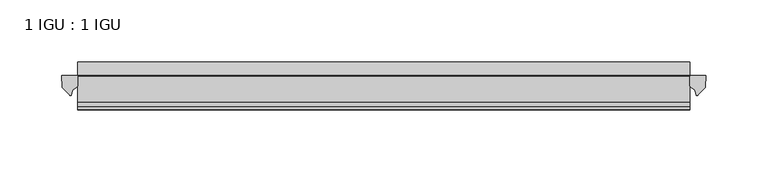
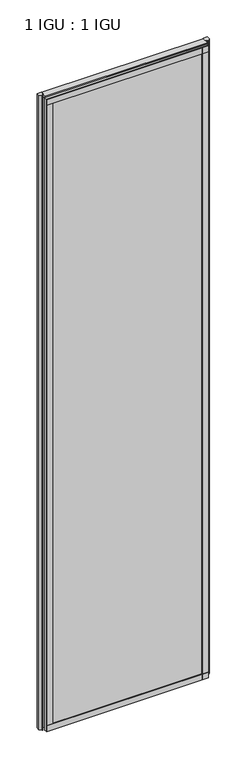
"""IFC4 building model written with IfcOpenShell, lengths in millimetres: plate geometry, 1 IGU : 1 IGU."""

import ifcopenshell
import ifcopenshell.guid

model = None  # the IFC model being written
_history = None  # IfcOwnerHistory: only IFC2X3 demands one
_inside = {}  # id of a spatial element -> (the spatial element, [elements in it])
_under = {}  # id of a project, library or spatial element -> (it, [spatial elements below it])
_declared = {}  # id of a project -> (the project, [libraries it declares])
_typed = {}  # id of a type object -> (the type object, [elements of that type])
_made_of = {}  # id of a material, layer set ... -> (it, [elements and type objects made of it])


def new_model(schema):
    """Start an empty IFC model of exactly this schema.

    Asked for "IFC4X3", IfcOpenShell would pick the latest addendum, in which some entities
    have other attributes; the version numbers below select the first issue.
    IFC2X3 requires an IfcOwnerHistory on every rooted entity: one is made here for all.
    """
    global model, _history
    if schema == "IFC4X3":
        model = ifcopenshell.file(schema_version=(4, 3, 0, 0))
    else:
        model = ifcopenshell.file(schema=schema)
    _inside.clear()
    _under.clear()
    _declared.clear()
    _typed.clear()
    _made_of.clear()
    _history = None
    if model.schema == "IFC2X3":
        org = make("IfcOrganization", Name="unknown")
        user = make(
            "IfcPersonAndOrganization",
            ThePerson=make("IfcPerson", FamilyName="unknown"),
            TheOrganization=org,
        )
        app = make(
            "IfcApplication",
            ApplicationDeveloper=org,
            Version="unknown",
            ApplicationFullName="unknown",
            ApplicationIdentifier="unknown",
        )
        _history = make(
            "IfcOwnerHistory",
            OwningUser=user,
            OwningApplication=app,
            ChangeAction="ADDED",
            CreationDate=0,
        )
    return model


def make(cls, **values):
    """One entity of the class cls with the attributes given. An attribute that is None is left unset."""
    return model.create_entity(
        cls, **{name: value for name, value in values.items() if value is not None}
    )


def rooted(cls, **values):
    """An entity with a GlobalId (a new one), such as an element, a storey or a relation."""
    return make(cls, GlobalId=ifcopenshell.guid.new(), OwnerHistory=_history, **values)


def si_unit(unit_type, name, prefix=None):
    """IfcSIUnit, for example si_unit("LENGTHUNIT", "METRE", prefix="MILLI")."""
    return make("IfcSIUnit", UnitType=unit_type, Prefix=prefix, Name=name)


def assignment(units):
    """IfcUnitAssignment: the units of a project."""
    return None if units is None else make("IfcUnitAssignment", Units=units)


def point(xyz):
    """IfcCartesianPoint."""
    return None if xyz is None else make("IfcCartesianPoint", Coordinates=xyz)


def direction(xyz):
    """IfcDirection."""
    return None if xyz is None else make("IfcDirection", DirectionRatios=xyz)


def frame(location, z_axis=None, x_axis=None):
    """IfcAxis2Placement3D, a coordinate frame: its origin and axes. An axis left out is left unset."""
    return make(
        "IfcAxis2Placement3D",
        Location=point(location),
        Axis=direction(z_axis),
        RefDirection=direction(x_axis),
    )


def frame_2d(location, x_axis=None):
    """IfcAxis2Placement2D, a coordinate frame in the plane: its origin and x axis."""
    return make(
        "IfcAxis2Placement2D", Location=point(location), RefDirection=direction(x_axis)
    )


def origin():
    """The frame at (0, 0, 0) with its axes left unset."""
    return frame((0.0, 0.0, 0.0))


def place(relative_to, where):
    """IfcLocalPlacement: puts the frame where relative to a parent placement (None: the world)."""
    return make(
        "IfcLocalPlacement", PlacementRelTo=relative_to, RelativePlacement=where
    )


def context(
    kind, dimensions, precision=None, world=None, true_north=None, identifier=None
):
    """IfcGeometricRepresentationContext, for example the 3D "Model" context."""
    return make(
        "IfcGeometricRepresentationContext",
        ContextIdentifier=identifier,
        ContextType=kind,
        CoordinateSpaceDimension=dimensions,
        Precision=precision,
        WorldCoordinateSystem=world,
        TrueNorth=true_north,
    )


def project(units=None, contexts=None):
    """IfcProject with its units and contexts."""
    return rooted(
        "IfcProject",
        Name="project",
        RepresentationContexts=contexts,
        UnitsInContext=assignment(units),
    )


def spatial(cls, under=None, at=None, **own):
    """A site, building, storey or space (cls), placed at a placement, below another one or the project."""
    s = rooted(cls, ObjectPlacement=at, **own)
    if under is not None:
        _under.setdefault(under.id(), (under, []))[1].append(s)
    return s


def polyline(points):
    """IfcPolyline through the points."""
    return make("IfcPolyline", Points=[point(p) for p in points])


def circle_curve(where, radius):
    """IfcCircle in the frame where."""
    return make("IfcCircle", Position=where, Radius=radius)


def ellipse_curve(where, semi_axis1, semi_axis2):
    """IfcEllipse in the frame where."""
    return make(
        "IfcEllipse", Position=where, SemiAxis1=semi_axis1, SemiAxis2=semi_axis2
    )


def trimmed(basis, trim1, trim2, sense, master):
    """IfcTrimmedCurve: the piece of a basis curve between two trims."""
    return make(
        "IfcTrimmedCurve",
        BasisCurve=basis,
        Trim1=trim1,
        Trim2=trim2,
        SenseAgreement=sense,
        MasterRepresentation=master,
    )


def segment(curve, same_sense, transition):
    """IfcCompositeCurveSegment."""
    return make(
        "IfcCompositeCurveSegment",
        Transition=transition,
        SameSense=same_sense,
        ParentCurve=curve,
    )


def composite_curve(segments, self_intersect=None):
    """IfcCompositeCurve: segments joined end to end."""
    return make("IfcCompositeCurve", Segments=segments, SelfIntersect=self_intersect)


def outline(outer, holes=None, kind="AREA"):
    """IfcArbitraryClosedProfileDef: a profile drawn as a closed curve; with holes, ...WithVoids."""
    if holes is None:
        return make("IfcArbitraryClosedProfileDef", ProfileType=kind, OuterCurve=outer)
    return make(
        "IfcArbitraryProfileDefWithVoids",
        ProfileType=kind,
        OuterCurve=outer,
        InnerCurves=holes,
    )


def extrude(swept, where, along, depth):
    """IfcExtrudedAreaSolid: the profile swept, set in the frame where, extruded along a direction by depth."""
    return make(
        "IfcExtrudedAreaSolid",
        SweptArea=swept,
        Position=where,
        ExtrudedDirection=direction(along),
        Depth=depth,
    )


def shape(context_of_items, identifier, shape_type, items):
    """IfcShapeRepresentation: the items that make up one representation, for example the "Body"."""
    return make(
        "IfcShapeRepresentation",
        ContextOfItems=context_of_items,
        RepresentationIdentifier=identifier,
        RepresentationType=shape_type,
        Items=items,
    )


def source(mapping_origin, context_of_items, identifier, shape_type, items):
    """IfcRepresentationMap: a shape defined once, which mapped items show again and again."""
    return make(
        "IfcRepresentationMap",
        MappingOrigin=mapping_origin,
        MappedRepresentation=shape(context_of_items, identifier, shape_type, items),
    )


def transform(
    local_origin,
    x_axis=None,
    y_axis=None,
    z_axis=None,
    scale=None,
    scale2=None,
    scale3=None,
    uniform=True,
):
    """IfcCartesianTransformationOperator3D, or its non-uniform kind. x_axis, y_axis, z_axis: its Axis1, 2, 3."""
    if uniform:
        return make(
            "IfcCartesianTransformationOperator3D",
            Axis1=direction(x_axis),
            Axis2=direction(y_axis),
            LocalOrigin=point(local_origin),
            Scale=scale,
            Axis3=direction(z_axis),
        )
    return make(
        "IfcCartesianTransformationOperator3DnonUniform",
        Axis1=direction(x_axis),
        Axis2=direction(y_axis),
        LocalOrigin=point(local_origin),
        Scale=scale,
        Axis3=direction(z_axis),
        Scale2=scale2,
        Scale3=scale3,
    )


def mapped(mapping_source, mapping_target):
    """IfcMappedItem: shows the shape of a source again, moved by a transform."""
    return make(
        "IfcMappedItem", MappingSource=mapping_source, MappingTarget=mapping_target
    )


def made_of(thing, what):
    """Note that an element or type object is made of a material, layer set ...; save() writes the relation."""
    if what is not None:
        _made_of.setdefault(what.id(), (what, []))[1].append(thing)
    return thing


def element(
    cls,
    number,
    at=None,
    inside=None,
    cuts=None,
    type_object=None,
    material=None,
    context=None,
    identifier="Body",
    shape_type=None,
    held_by="IfcProductDefinitionShape",
    body=None,
    shapes=None,
    **own,
):
    """One element of the class cls, such as IfcWall. Its Tag is "e" and its number.

    at: its placement. inside: the storey or other place that contains it. cuts: it is an
    opening in that element (IfcRelVoidsElement). A single representation is given by context,
    identifier, shape_type and body (its items); several are given by shapes. held_by: the class
    of the entity that holds the representations. save() writes the other relations.
    """
    e = rooted(cls, Tag="e%d" % number, ObjectPlacement=at, **own)
    if body is not None:
        shapes = [shape(context, identifier, shape_type, body)]
    if shapes is not None:
        e.Representation = make(held_by, Representations=shapes)
    if inside is not None:
        _inside.setdefault(inside.id(), (inside, []))[1].append(e)
    if cuts is not None:
        rooted(
            "IfcRelVoidsElement", RelatingBuildingElement=cuts, RelatedOpeningElement=e
        )
    if type_object is not None:
        _typed.setdefault(type_object.id(), (type_object, []))[1].append(e)
    return made_of(e, material)


def aggregate(whole, parts):
    """IfcRelAggregates: a whole, such as a stair, and the parts it consists of."""
    return rooted("IfcRelAggregates", RelatingObject=whole, RelatedObjects=parts)


def save(model, path):
    """Write the relations noted so far, then the file.

    IfcRelAggregates (storeys below a building ...), IfcRelContainedInSpatialStructure (elements
    in a storey), IfcRelDefinesByType, IfcRelAssociatesMaterial and IfcRelDeclares: one each for
    every whole, place, type object, material and project.
    """
    for whole, parts in _under.values():
        aggregate(whole, parts)
    for where, things in _inside.values():
        rooted(
            "IfcRelContainedInSpatialStructure",
            RelatedElements=things,
            RelatingStructure=where,
        )
    for kind, things in _typed.values():
        rooted("IfcRelDefinesByType", RelatedObjects=things, RelatingType=kind)
    for what, things in _made_of.values():
        rooted("IfcRelAssociatesMaterial", RelatedObjects=things, RelatingMaterial=what)
    for by, libraries in _declared.values():
        rooted("IfcRelDeclares", RelatingContext=by, RelatedDefinitions=libraries)
    model.write(path)


def plane_surface(at):
    """IfcPlane: the flat surface through the origin of the frame at, square to its z axis."""
    return make("IfcPlane", Position=at)


def cylinder_surface(at, radius):
    """IfcCylindricalSurface: all points at the distance radius from the z axis of the frame at."""
    return make("IfcCylindricalSurface", Position=at, Radius=radius)


def revolved_surface(curve, axis_point, axis_direction):
    """IfcSurfaceOfRevolution: the curve turned about the line through axis_point along axis_direction."""
    return make(
        "IfcSurfaceOfRevolution",
        SweptCurve=make("IfcArbitraryOpenProfileDef", ProfileType="CURVE", Curve=curve),
        AxisPosition=make("IfcAxis1Placement", Location=point(axis_point), Axis=direction(axis_direction)),
    )


def extruded_surface(curve, direction_of_extrusion, depth):
    """IfcSurfaceOfLinearExtrusion: the curve pushed along a direction by depth."""
    return make(
        "IfcSurfaceOfLinearExtrusion",
        SweptCurve=make("IfcArbitraryOpenProfileDef", ProfileType="CURVE", Curve=curve),
        ExtrudedDirection=direction(direction_of_extrusion),
        Depth=depth,
    )


def advanced_brep(points, edges, surfaces, faces):
    """IfcAdvancedBrep: a solid bounded by faces that lie on surfaces and meet in shared edges.

    An edge is (start, end): straight between two places in points (the first is 0);
    or (start, end, curve); or (start, end, curve, False) where it runs against its curve.
    A face is (place in surfaces, loops), or (place, loops, False) where it looks against
    its surface's normal. A loop lists edges by number (the first is 1), with a minus sign
    where the edge is run from its end to its start. The first loop is the outer one.
    """
    corners = [point(p) for p in points]
    vertices = [make("IfcVertexPoint", VertexGeometry=c) for c in corners]
    made = []
    for start, end, *more in edges:
        made.append(
            make(
                "IfcEdgeCurve",
                EdgeStart=vertices[start],
                EdgeEnd=vertices[end],
                EdgeGeometry=more[0] if more else make("IfcPolyline", Points=[corners[start], corners[end]]),
                SameSense=more[1] if len(more) > 1 else True,
            )
        )
    hull = []
    for where, loops, *sense in faces:
        bounds = []
        for j, loop in enumerate(loops):
            ring = [make("IfcOrientedEdge", EdgeElement=made[abs(k) - 1], Orientation=k > 0) for k in loop]
            bounds.append(
                make(
                    "IfcFaceOuterBound" if j == 0 else "IfcFaceBound",
                    Bound=make("IfcEdgeLoop", EdgeList=ring),
                    Orientation=True,
                )
            )
        hull.append(make("IfcAdvancedFace", Bounds=bounds, FaceSurface=surfaces[where], SameSense=sense[0] if sense else True))
    return make("IfcAdvancedBrep", Outer=make("IfcClosedShell", CfsFaces=hull))


def plate_1_igu_1_igu_4376e45f(model_context):
    return source(origin(), model_context, "Body", "SolidModel", [
        extrude(outline(polyline([(307.9682531, -11.6085937), (307.9682531, -18.8576359), (-187.0205969, -18.8576359), (-187.0205969, -11.6085937), (307.9682531, -11.6085937)])), frame((0.0, 0.0, -19.05), z_axis=(0.0, 0.0, 1.0), x_axis=(1.0, 0.0, 0.0)), (0.0, 0.0, 1.0), 2038.3500001),
        extrude(outline(polyline([(-187.0205969, -30.7093937), (307.9682531, -30.7093937), (307.9682531, -37.0085937), (-187.0205969, -37.0085937), (-187.0205969, -30.7093937)])), frame((0.0, 0.0, -19.05), z_axis=(0.0, 0.0, 1.0), x_axis=(1.0, 0.0, 0.0)), (0.0, 0.0, 1.0), 2038.3500001),
        extrude(outline(composite_curve([segment(polyline([(321.0461623, -11.6101465), (320.6682531, -21.3502133), (314.7301999, -27.6095865)]), True, "CONTINUOUS"), segment(trimmed(circle_curve(frame_2d((314.0573938, -27.2518492)), 0.762), [point((314.7301999, -27.6095865))], [point((313.3286896, -27.4746364))], False, "CARTESIAN"), True, "CONTINUOUS"), segment(polyline([(313.3286896, -27.4746364), (312.066855, -23.3488397)]), True, "CONTINUOUS"), segment(trimmed(circle_curve(frame_2d((314.2488122, -16.3834724)), 7.2991286), [point((312.066855, -23.3488397))], [point((307.9684317, -20.1028944))], False, "CARTESIAN"), True, "CONTINUOUS"), segment(polyline([(307.9684317, -20.1028944), (307.9684317, -12.664425)]), True, "CONTINUOUS"), segment(trimmed(circle_curve(frame_2d((314.2496862, -16.3827796)), 7.2993369), [point((307.9684317, -12.664425))], [point((308.7267981, -11.6101465))], False, "CARTESIAN"), True, "CONTINUOUS"), segment(polyline([(308.7267981, -11.6101465), (321.0461623, -11.6101465)]), True, "CONTINUOUS")], self_intersect=False)), frame((0.0, 0.0, -19.05), z_axis=(0.0, 0.0, 1.0), x_axis=(1.0, 0.0, 0.0)), (0.0, 0.0, 1.0), 2045.4874001),
        extrude(outline(composite_curve([segment(polyline([(-187.0205969, -11.610702), (-187.0205969, -20.1014769)]), True, "CONTINUOUS"), segment(trimmed(circle_curve(frame_2d((-193.3017912, -16.3829847)), 7.2993552), [point((-187.0205969, -20.1014769))], [point((-191.1195466, -23.3484994))], False, "CARTESIAN"), True, "CONTINUOUS"), segment(polyline([(-191.1195466, -23.3484994), (-192.3810333, -27.4746364)]), True, "CONTINUOUS"), segment(trimmed(circle_curve(frame_2d((-193.1097375, -27.2518492)), 0.762), [point((-192.3810333, -27.4746364))], [point((-193.7825436, -27.6095865))], False, "CARTESIAN"), True, "CONTINUOUS"), segment(polyline([(-193.7825436, -27.6095865), (-199.7205969, -21.3502133), (-200.098506, -11.610702), (-187.0205969, -11.610702)]), True, "CONTINUOUS")], self_intersect=False)), frame((0.0, 0.0, -19.05), z_axis=(0.0, 0.0, 1.0), x_axis=(1.0, 0.0, 0.0)), (0.0, 0.0, 1.0), 2045.4874001),
        extrude(outline(polyline([(-11.6085937, -15.24), (-11.6085937, 2.8161565), (-0.5298609, 1.2591422), (-0.5298609, -0.6645794), (-5.258589, 0.0), (-5.258589, -4.826), (-1.575589, -4.826), (-1.575589, -7.874), (-5.258589, -7.874), (-5.258589, -13.208), (-3.099589, -13.208), (-3.099589, -15.24), (-11.6085937, -15.24)])), frame((-187.0205969, 0.0, 0.0), z_axis=(1.0, 0.0, 0.0), x_axis=(0.0, 1.0, 0.0)), (0.0, 0.0, 1.0), 494.98885),
        extrude(outline(polyline([(-187.0205969, -39.2945937), (-187.0205969, -37.0085937), (307.9682531, -37.0085937), (307.9682531, -39.2945937), (-187.0205969, -39.2945937)])), frame((0.0, 0.0, -19.05), z_axis=(0.0, 0.0, 1.0), x_axis=(1.0, 0.0, 0.0)), (0.0, 0.0, 1.0), 19.05),
        advanced_brep(
        [(-187.0205969, -24.3085937, 2018.1276629), (-187.0205969, -33.4116395, 2026.4374001), (-187.0205969, -12.7165288, 2026.4374001), (-187.0205969, -11.6085937, 2019.3000001), (-187.0205969, -17.9077937, 2019.3000001), (307.9682531, -24.3085937, 2018.1276629), (307.9682531, -17.9077937, 2019.3000001), (307.9682531, -11.6085937, 2019.3000001), (307.9682531, -12.7165288, 2026.4374001), (307.9682531, -33.4116395, 2026.4374001)],
        [
            (0, 1, ellipse_curve(frame((-187.0205969, -24.3085937, 2028.8250001), z_axis=(-1.0, 0.0, 0.0), x_axis=(0.0, 0.0, -1.0)), 10.6973372, 9.3386252)),
            (1, 2),
            (2, 3, circle_curve(frame((-187.0205969, 26.2083666, 2028.8250001), z_axis=(1.0, 0.0, 0.0), x_axis=(0.0, 0.0, -1.0)), 38.9980527)),
            (3, 4),
            (4, 0, circle_curve(frame((-187.0205969, -24.3085937, 2036.1875764), z_axis=(-1.0, 0.0, 0.0), x_axis=(0.0, 0.0, -1.0)), 18.0599135)),
            (5, 6, circle_curve(frame((307.9682531, -24.3085937, 2036.1875764), z_axis=(1.0, 0.0, 0.0), x_axis=(0.0, 0.0, -1.0)), 18.0599135)),
            (6, 7),
            (7, 8, circle_curve(frame((307.9682531, 26.2083666, 2028.8250001), z_axis=(-1.0, 0.0, 0.0), x_axis=(0.0, 0.0, -1.0)), 38.9980527)),
            (8, 9),
            (9, 5, ellipse_curve(frame((307.9682531, -24.3085937, 2028.8250001), z_axis=(1.0, 0.0, 0.0), x_axis=(0.0, 0.0, -1.0)), 10.6973372, 9.3386252)),
            (0, 5),
            (9, 1),
            (8, 2),
            (7, 3),
            (6, 4),
        ],
        [
            plane_surface(frame((-187.0205969, -9.2273437, 2028.8250001), z_axis=(-1.0, 0.0, 0.0), x_axis=(0.0, 1.0, 0.0))),
            plane_surface(frame((307.9682531, -9.2273438, 2028.8250001), z_axis=(1.0, 0.0, 0.0), x_axis=(0.0, 1.0, 0.0))),
            extruded_surface(trimmed(ellipse_curve(frame((307.9682531, -24.3085937, 2028.8250001), z_axis=(-1.0, 0.0, 0.0), x_axis=(0.0, 0.0, -1.0)), 10.6973372, 9.3386252), [point((307.9682531, -24.3085937, 2018.1276629))], [point((307.9682531, -33.4116395, 2026.4374001))], True, "CARTESIAN"), (-494.98885, 0.0, 0.0), 494.98885),
            plane_surface(frame((-187.0205969, -33.4116395, 2026.4374001), z_axis=(0.0, 0.0, 1.0), x_axis=(1.0, 0.0, 0.0))),
            revolved_surface(polyline([(307.9682531, 26.2083666, 1989.8269473999999), (-187.0205969, 26.2083666, 1989.8269473999999)]), (-187.0205969, 26.2083666, 2028.8250001), (1.0, 0.0, 0.0)),
            plane_surface(frame((-187.0205969, -11.6085937, 2019.3000001), z_axis=(0.0, 0.0, -1.0), x_axis=(1.0, 0.0, 0.0))),
            cylinder_surface(frame((-187.0205969, -24.3085937, 2036.1875764), z_axis=(-1.0, 0.0, 0.0), x_axis=(0.0, 0.0, -1.0)), 18.0599135),
        ],
        [
            (0, [[1, 2, 3, 4, 5]]),
            (1, [[6, 7, 8, 9, 10]]),
            (2, [[-1, 11, -10, 12]]),
            (3, [[-2, -12, -9, 13]]),
            (4, [[-3, -13, -8, 14]]),
            (5, [[-4, -14, -7, 15]]),
            (6, [[-5, -15, -6, -11]]),
        ],
    ),
        extrude(outline(polyline([(-187.0205969, -39.2945937), (-187.0205969, -37.0085937), (307.9682531, -37.0085937), (307.9682531, -39.2945937), (-187.0205969, -39.2945937)])), frame((0.0, 0.0, 2000.2500001), z_axis=(0.0, 0.0, 1.0), x_axis=(1.0, 0.0, 0.0)), (0.0, 0.0, 1.0), 19.05),
        extrude(outline(polyline([(288.9182531, -37.0085937), (307.9682531, -37.0085937), (307.9682531, -39.2945938), (288.9182531, -39.2945938), (288.9182531, -37.0085937)])), frame((0.0, 0.0, -19.05), z_axis=(0.0, 0.0, 1.0), x_axis=(1.0, 0.0, 0.0)), (0.0, 0.0, 1.0), 2038.3500001),
        extrude(outline(polyline([(-187.0205969, -39.2945937), (-187.0205969, -37.0085938), (-167.9705969, -37.0085938), (-167.9705969, -39.2945937), (-187.0205969, -39.2945937)])), frame((0.0, 0.0, -19.05), z_axis=(0.0, 0.0, 1.0), x_axis=(1.0, 0.0, 0.0)), (0.0, 0.0, 1.0), 2038.3500001),
    ])


if __name__ == "__main__":
    model = new_model("IFC4")
    model_context = context("Model", 3, world=origin())
    ifc_project = project(units=[si_unit("LENGTHUNIT", "METRE", prefix="MILLI")], contexts=[model_context])
    site = spatial("IfcSite", under=ifc_project)
    building = spatial("IfcBuilding", under=site)
    placement = place(None, origin())
    plate_1_igu_1_igu_shape = plate_1_igu_1_igu_4376e45f(model_context)
    element("IfcPlate", 1, ObjectType="1 IGU : 1 IGU", at=placement, inside=building, context=model_context, shape_type="MappedRepresentation", body=[
        mapped(plate_1_igu_1_igu_shape, transform((0.0, 0.0, 0.0), x_axis=(1.0, 0.0, 0.0), y_axis=(0.0, 1.0, 0.0), z_axis=(0.0, 0.0, 1.0))),
    ])
    save(model, "model.ifc")
